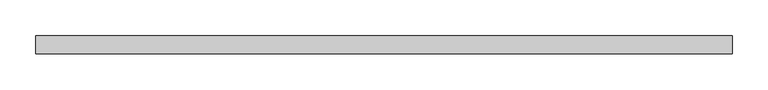
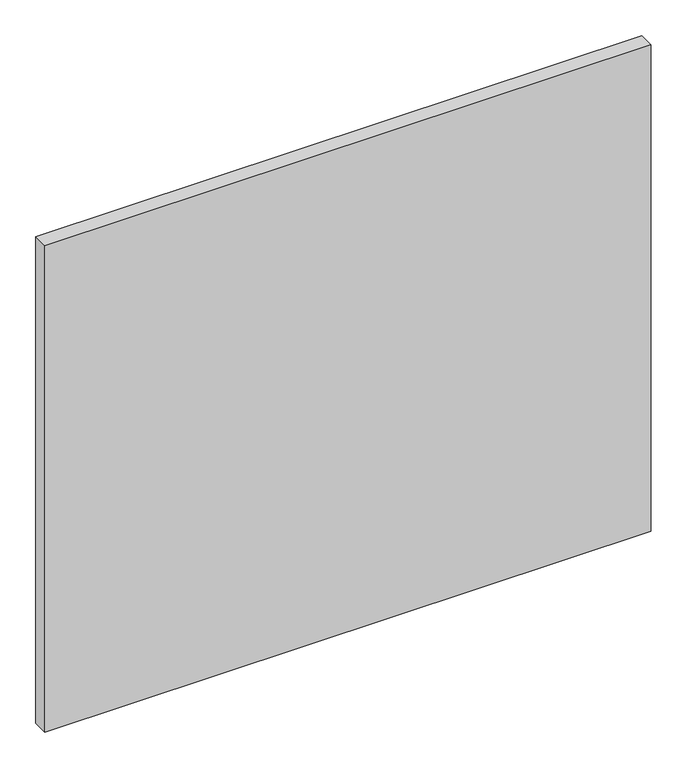
"""IFC4 building model written with IfcOpenShell, lengths in millimetres: plate geometry."""

from ifc_helpers import new_model, si_unit, origin, origin_with_axes, place, context, project, spatial, polyline, outline, extrude, source, transform, mapped, element, save


def plate_03c7c884(model_context):
    return source(origin(), model_context, "Body", "SweptSolid", [
        extrude(outline(polyline([(486.5669052, 24.5), (-486.5669052, 24.5), (-486.5669052, 49.5), (486.5669052, 49.5), (486.5669052, 24.5)])), origin_with_axes(), (0.0, 0.0, 1.0), 825.0),
    ])


if __name__ == "__main__":
    model = new_model("IFC4")
    model_context = context("Model", 3, world=origin())
    ifc_project = project(units=[si_unit("LENGTHUNIT", "METRE", prefix="MILLI")], contexts=[model_context])
    site = spatial("IfcSite", under=ifc_project)
    building = spatial("IfcBuilding", under=site)
    placement = place(None, origin())
    plate_shape = plate_03c7c884(model_context)
    element("IfcPlate", 1, at=placement, inside=building, context=model_context, shape_type="MappedRepresentation", body=[
        mapped(plate_shape, transform((0.0, 0.0, 0.0), x_axis=(1.0, 0.0, 0.0), y_axis=(0.0, 1.0, 0.0), z_axis=(0.0, 0.0, 1.0))),
    ])
    save(model, "model.ifc")
